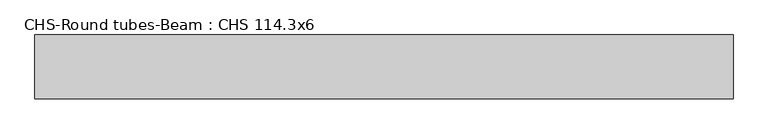
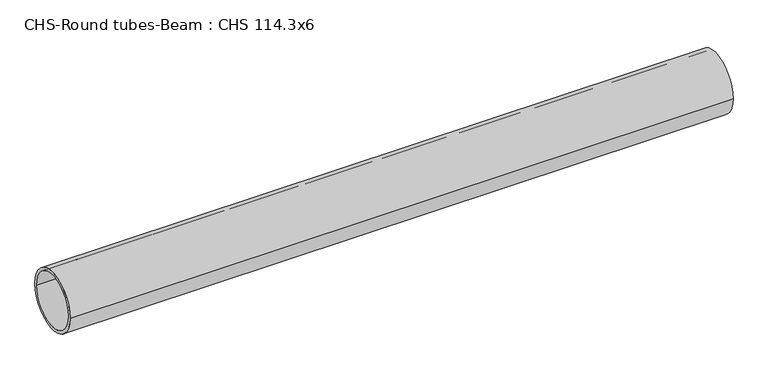
"""IFC4 building model written with IfcOpenShell, lengths in millimetres: beam geometry, CHS-Round tubes-Beam : CHS 114.3x6."""

from ifc_helpers import new_model, si_unit, point, frame, origin, origin_2d, place, context, project, spatial, circle_curve, trimmed, segment, composite_curve, outline, extrude, source, transform, mapped, element, save


def chs_round_tubes_beam_chs_114_3x6_14033672(model_context):
    return source(origin(), model_context, "Body", "SweptSolid", [
        extrude(outline(composite_curve([segment(trimmed(circle_curve(origin_2d(), 57.15), [point((57.15, 0.0))], [point((-57.15, 0.0))], False, "CARTESIAN"), True, "CONTINUOUS"), segment(trimmed(circle_curve(origin_2d(), 57.15), [point((-57.15, 0.0))], [point((57.15, 0.0))], False, "CARTESIAN"), True, "CONTINUOUS")], self_intersect=False), holes=[composite_curve([segment(trimmed(circle_curve(origin_2d(), 51.15), [point((51.15, 0.0))], [point((-51.15, 0.0))], True, "CARTESIAN"), True, "CONTINUOUS"), segment(trimmed(circle_curve(origin_2d(), 51.15), [point((-51.15, 0.0))], [point((51.15, 0.0))], True, "CARTESIAN"), True, "CONTINUOUS")], self_intersect=False)]), frame((-620.0439044, 0.0, 0.0), z_axis=(1.0, 0.0, 0.0), x_axis=(0.0, 1.0, 0.0)), (0.0, 0.0, 1.0), 1245.5585092),
    ])


if __name__ == "__main__":
    model = new_model("IFC4")
    model_context = context("Model", 3, world=origin())
    ifc_project = project(units=[si_unit("LENGTHUNIT", "METRE", prefix="MILLI")], contexts=[model_context])
    site = spatial("IfcSite", under=ifc_project)
    building = spatial("IfcBuilding", under=site)
    placement = place(None, origin())
    chs_round_tubes_beam_chs_114_3x6_shape = chs_round_tubes_beam_chs_114_3x6_14033672(model_context)
    element("IfcBeam", 1, ObjectType="CHS-Round tubes-Beam : CHS 114.3x6", at=placement, inside=building, context=model_context, shape_type="MappedRepresentation", body=[
        mapped(chs_round_tubes_beam_chs_114_3x6_shape, transform((0.0, 0.0, 0.0), x_axis=(1.0, 0.0, 0.0), y_axis=(0.0, 1.0, 0.0), z_axis=(0.0, 0.0, 1.0))),
    ])
    save(model, "model.ifc")
